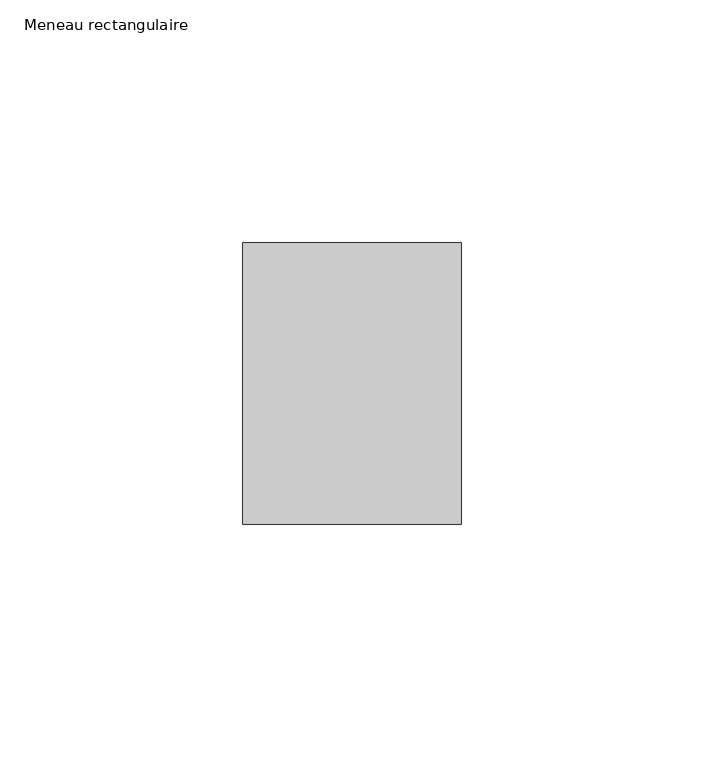
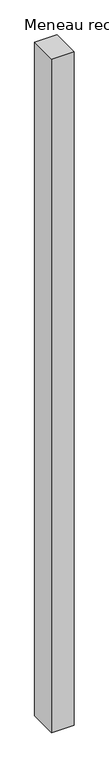
"""IFC4 building model written with IfcOpenShell, lengths in millimetres: member geometry, Meneau rectangulaire."""

from ifc_helpers import new_model, si_unit, frame, origin, place, context, project, spatial, polyline, outline, extrude, source, transform, mapped, element, save


def meneau_rectangulaire_120733fe(model_context):
    return source(origin(), model_context, "Body", "SweptSolid", [
        extrude(outline(polyline([(0.0, 29.0), (0.0, -29.0), (-45.0, -29.0), (-45.0, 29.0), (0.0, 29.0)])), frame((0.0, 0.0, -1423.7500002), z_axis=(0.0, 0.0, 1.0), x_axis=(1.0, 0.0, 0.0)), (0.0, 0.0, 1.0), 1423.7500002),
    ])


if __name__ == "__main__":
    model = new_model("IFC4")
    model_context = context("Model", 3, world=origin())
    ifc_project = project(units=[si_unit("LENGTHUNIT", "METRE", prefix="MILLI")], contexts=[model_context])
    site = spatial("IfcSite", under=ifc_project)
    building = spatial("IfcBuilding", under=site)
    placement = place(None, origin())
    meneau_rectangulaire_shape = meneau_rectangulaire_120733fe(model_context)
    element("IfcMember", 1, ObjectType="Meneau rectangulaire", at=placement, inside=building, context=model_context, shape_type="MappedRepresentation", body=[
        mapped(meneau_rectangulaire_shape, transform((0.0, 0.0, 0.0), x_axis=(1.0, 0.0, 0.0), y_axis=(0.0, 1.0, 0.0), z_axis=(0.0, 0.0, 1.0))),
    ])
    save(model, "model.ifc")
